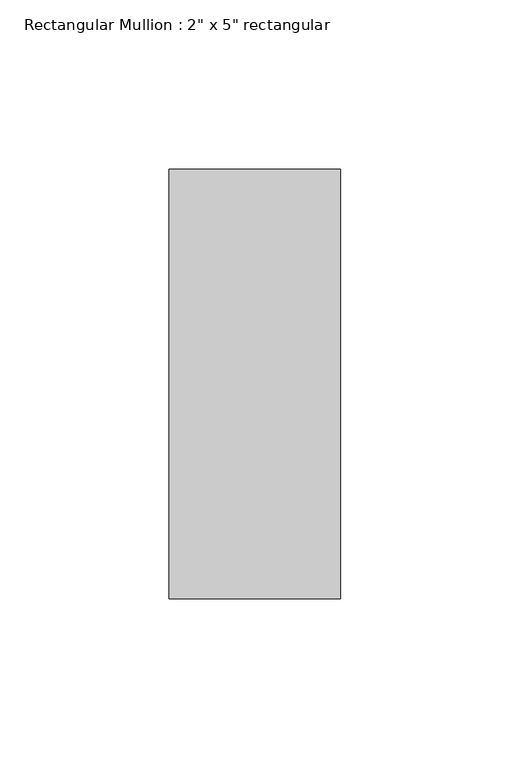
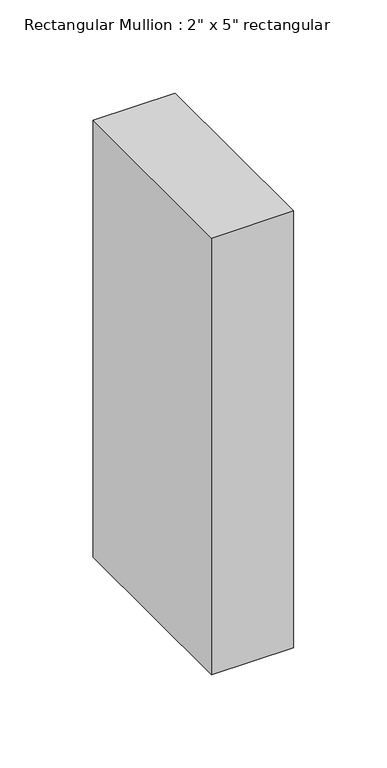
"""IFC4 building model written with IfcOpenShell, lengths in millimetres: member geometry."""

from ifc_helpers import new_model, si_unit, frame, origin, place, context, project, spatial, polyline, outline, extrude, source, transform, mapped, element, save


def member_7f1838da(model_context):
    return source(origin(), model_context, "Body", "SweptSolid", [
        extrude(outline(polyline([(0.0, 63.5), (0.0, -63.5), (-50.8, -63.5), (-50.8, 63.5), (0.0, 63.5)])), frame((0.0, 0.0, -285.75), z_axis=(0.0, 0.0, 1.0), x_axis=(1.0, 0.0, 0.0)), (0.0, 0.0, 1.0), 285.75),
    ])


if __name__ == "__main__":
    model = new_model("IFC4")
    model_context = context("Model", 3, world=origin())
    ifc_project = project(units=[si_unit("LENGTHUNIT", "METRE", prefix="MILLI")], contexts=[model_context])
    site = spatial("IfcSite", under=ifc_project)
    building = spatial("IfcBuilding", under=site)
    placement = place(None, origin())
    member_shape = member_7f1838da(model_context)
    element("IfcMember", 1, ObjectType="Rectangular Mullion : 2\" x 5\" rectangular", at=placement, inside=building, context=model_context, shape_type="MappedRepresentation", body=[
        mapped(member_shape, transform((0.0, 0.0, 0.0), x_axis=(1.0, 0.0, 0.0), y_axis=(0.0, 1.0, 0.0), z_axis=(0.0, 0.0, 1.0))),
    ])
    save(model, "model.ifc")
